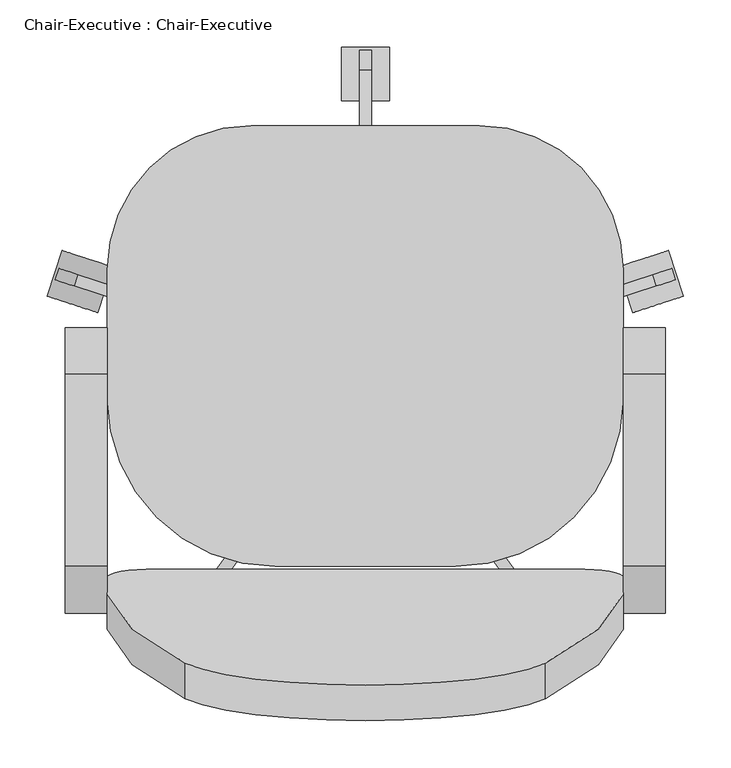
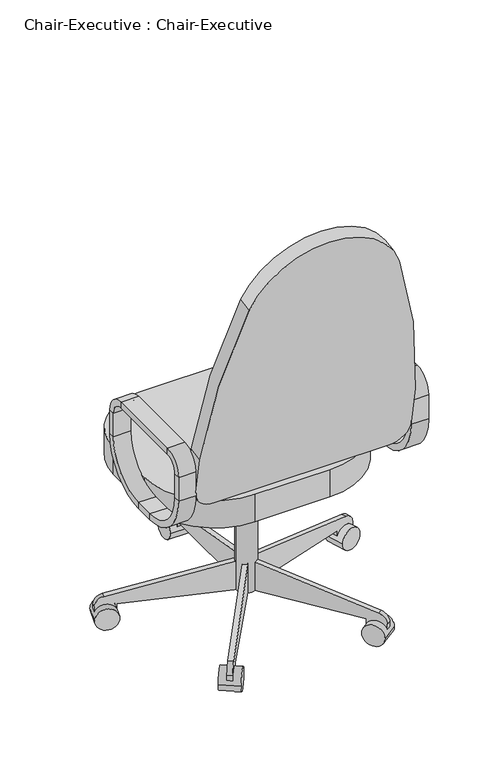
"""IFC4 building model written with IfcOpenShell, lengths in millimetres: furniture geometry, Chair-Executive : Chair-Executive."""

import ifcopenshell
import ifcopenshell.guid

model = None  # the IFC model being written
_history = None  # IfcOwnerHistory: only IFC2X3 demands one
_inside = {}  # id of a spatial element -> (the spatial element, [elements in it])
_under = {}  # id of a project, library or spatial element -> (it, [spatial elements below it])
_declared = {}  # id of a project -> (the project, [libraries it declares])
_typed = {}  # id of a type object -> (the type object, [elements of that type])
_made_of = {}  # id of a material, layer set ... -> (it, [elements and type objects made of it])


def new_model(schema):
    """Start an empty IFC model of exactly this schema.

    Asked for "IFC4X3", IfcOpenShell would pick the latest addendum, in which some entities
    have other attributes; the version numbers below select the first issue.
    IFC2X3 requires an IfcOwnerHistory on every rooted entity: one is made here for all.
    """
    global model, _history
    if schema == "IFC4X3":
        model = ifcopenshell.file(schema_version=(4, 3, 0, 0))
    else:
        model = ifcopenshell.file(schema=schema)
    _inside.clear()
    _under.clear()
    _declared.clear()
    _typed.clear()
    _made_of.clear()
    _history = None
    if model.schema == "IFC2X3":
        org = make("IfcOrganization", Name="unknown")
        user = make(
            "IfcPersonAndOrganization",
            ThePerson=make("IfcPerson", FamilyName="unknown"),
            TheOrganization=org,
        )
        app = make(
            "IfcApplication",
            ApplicationDeveloper=org,
            Version="unknown",
            ApplicationFullName="unknown",
            ApplicationIdentifier="unknown",
        )
        _history = make(
            "IfcOwnerHistory",
            OwningUser=user,
            OwningApplication=app,
            ChangeAction="ADDED",
            CreationDate=0,
        )
    return model


def make(cls, **values):
    """One entity of the class cls with the attributes given. An attribute that is None is left unset."""
    return model.create_entity(
        cls, **{name: value for name, value in values.items() if value is not None}
    )


def rooted(cls, **values):
    """An entity with a GlobalId (a new one), such as an element, a storey or a relation."""
    return make(cls, GlobalId=ifcopenshell.guid.new(), OwnerHistory=_history, **values)


def si_unit(unit_type, name, prefix=None):
    """IfcSIUnit, for example si_unit("LENGTHUNIT", "METRE", prefix="MILLI")."""
    return make("IfcSIUnit", UnitType=unit_type, Prefix=prefix, Name=name)


def assignment(units):
    """IfcUnitAssignment: the units of a project."""
    return None if units is None else make("IfcUnitAssignment", Units=units)


def point(xyz):
    """IfcCartesianPoint."""
    return None if xyz is None else make("IfcCartesianPoint", Coordinates=xyz)


def direction(xyz):
    """IfcDirection."""
    return None if xyz is None else make("IfcDirection", DirectionRatios=xyz)


def frame(location, z_axis=None, x_axis=None):
    """IfcAxis2Placement3D, a coordinate frame: its origin and axes. An axis left out is left unset."""
    return make(
        "IfcAxis2Placement3D",
        Location=point(location),
        Axis=direction(z_axis),
        RefDirection=direction(x_axis),
    )


def frame_2d(location, x_axis=None):
    """IfcAxis2Placement2D, a coordinate frame in the plane: its origin and x axis."""
    return make(
        "IfcAxis2Placement2D", Location=point(location), RefDirection=direction(x_axis)
    )


def origin():
    """The frame at (0, 0, 0) with its axes left unset."""
    return frame((0.0, 0.0, 0.0))


def place(relative_to, where):
    """IfcLocalPlacement: puts the frame where relative to a parent placement (None: the world)."""
    return make(
        "IfcLocalPlacement", PlacementRelTo=relative_to, RelativePlacement=where
    )


def context(
    kind, dimensions, precision=None, world=None, true_north=None, identifier=None
):
    """IfcGeometricRepresentationContext, for example the 3D "Model" context."""
    return make(
        "IfcGeometricRepresentationContext",
        ContextIdentifier=identifier,
        ContextType=kind,
        CoordinateSpaceDimension=dimensions,
        Precision=precision,
        WorldCoordinateSystem=world,
        TrueNorth=true_north,
    )


def project(units=None, contexts=None):
    """IfcProject with its units and contexts."""
    return rooted(
        "IfcProject",
        Name="project",
        RepresentationContexts=contexts,
        UnitsInContext=assignment(units),
    )


def spatial(cls, under=None, at=None, **own):
    """A site, building, storey or space (cls), placed at a placement, below another one or the project."""
    s = rooted(cls, ObjectPlacement=at, **own)
    if under is not None:
        _under.setdefault(under.id(), (under, []))[1].append(s)
    return s


def polyline(points):
    """IfcPolyline through the points."""
    return make("IfcPolyline", Points=[point(p) for p in points])


def circle_curve(where, radius):
    """IfcCircle in the frame where."""
    return make("IfcCircle", Position=where, Radius=radius)


def trimmed(basis, trim1, trim2, sense, master):
    """IfcTrimmedCurve: the piece of a basis curve between two trims."""
    return make(
        "IfcTrimmedCurve",
        BasisCurve=basis,
        Trim1=trim1,
        Trim2=trim2,
        SenseAgreement=sense,
        MasterRepresentation=master,
    )


def segment(curve, same_sense, transition):
    """IfcCompositeCurveSegment."""
    return make(
        "IfcCompositeCurveSegment",
        Transition=transition,
        SameSense=same_sense,
        ParentCurve=curve,
    )


def composite_curve(segments, self_intersect=None):
    """IfcCompositeCurve: segments joined end to end."""
    return make("IfcCompositeCurve", Segments=segments, SelfIntersect=self_intersect)


def outline(outer, holes=None, kind="AREA"):
    """IfcArbitraryClosedProfileDef: a profile drawn as a closed curve; with holes, ...WithVoids."""
    if holes is None:
        return make("IfcArbitraryClosedProfileDef", ProfileType=kind, OuterCurve=outer)
    return make(
        "IfcArbitraryProfileDefWithVoids",
        ProfileType=kind,
        OuterCurve=outer,
        InnerCurves=holes,
    )


def extrude(swept, where, along, depth):
    """IfcExtrudedAreaSolid: the profile swept, set in the frame where, extruded along a direction by depth."""
    return make(
        "IfcExtrudedAreaSolid",
        SweptArea=swept,
        Position=where,
        ExtrudedDirection=direction(along),
        Depth=depth,
    )


def shape(context_of_items, identifier, shape_type, items):
    """IfcShapeRepresentation: the items that make up one representation, for example the "Body"."""
    return make(
        "IfcShapeRepresentation",
        ContextOfItems=context_of_items,
        RepresentationIdentifier=identifier,
        RepresentationType=shape_type,
        Items=items,
    )


def source(mapping_origin, context_of_items, identifier, shape_type, items):
    """IfcRepresentationMap: a shape defined once, which mapped items show again and again."""
    return make(
        "IfcRepresentationMap",
        MappingOrigin=mapping_origin,
        MappedRepresentation=shape(context_of_items, identifier, shape_type, items),
    )


def transform(
    local_origin,
    x_axis=None,
    y_axis=None,
    z_axis=None,
    scale=None,
    scale2=None,
    scale3=None,
    uniform=True,
):
    """IfcCartesianTransformationOperator3D, or its non-uniform kind. x_axis, y_axis, z_axis: its Axis1, 2, 3."""
    if uniform:
        return make(
            "IfcCartesianTransformationOperator3D",
            Axis1=direction(x_axis),
            Axis2=direction(y_axis),
            LocalOrigin=point(local_origin),
            Scale=scale,
            Axis3=direction(z_axis),
        )
    return make(
        "IfcCartesianTransformationOperator3DnonUniform",
        Axis1=direction(x_axis),
        Axis2=direction(y_axis),
        LocalOrigin=point(local_origin),
        Scale=scale,
        Axis3=direction(z_axis),
        Scale2=scale2,
        Scale3=scale3,
    )


def mapped(mapping_source, mapping_target):
    """IfcMappedItem: shows the shape of a source again, moved by a transform."""
    return make(
        "IfcMappedItem", MappingSource=mapping_source, MappingTarget=mapping_target
    )


def made_of(thing, what):
    """Note that an element or type object is made of a material, layer set ...; save() writes the relation."""
    if what is not None:
        _made_of.setdefault(what.id(), (what, []))[1].append(thing)
    return thing


def element(
    cls,
    number,
    at=None,
    inside=None,
    cuts=None,
    type_object=None,
    material=None,
    context=None,
    identifier="Body",
    shape_type=None,
    held_by="IfcProductDefinitionShape",
    body=None,
    shapes=None,
    **own,
):
    """One element of the class cls, such as IfcWall. Its Tag is "e" and its number.

    at: its placement. inside: the storey or other place that contains it. cuts: it is an
    opening in that element (IfcRelVoidsElement). A single representation is given by context,
    identifier, shape_type and body (its items); several are given by shapes. held_by: the class
    of the entity that holds the representations. save() writes the other relations.
    """
    e = rooted(cls, Tag="e%d" % number, ObjectPlacement=at, **own)
    if body is not None:
        shapes = [shape(context, identifier, shape_type, body)]
    if shapes is not None:
        e.Representation = make(held_by, Representations=shapes)
    if inside is not None:
        _inside.setdefault(inside.id(), (inside, []))[1].append(e)
    if cuts is not None:
        rooted(
            "IfcRelVoidsElement", RelatingBuildingElement=cuts, RelatedOpeningElement=e
        )
    if type_object is not None:
        _typed.setdefault(type_object.id(), (type_object, []))[1].append(e)
    return made_of(e, material)


def aggregate(whole, parts):
    """IfcRelAggregates: a whole, such as a stair, and the parts it consists of."""
    return rooted("IfcRelAggregates", RelatingObject=whole, RelatedObjects=parts)


def save(model, path):
    """Write the relations noted so far, then the file.

    IfcRelAggregates (storeys below a building ...), IfcRelContainedInSpatialStructure (elements
    in a storey), IfcRelDefinesByType, IfcRelAssociatesMaterial and IfcRelDeclares: one each for
    every whole, place, type object, material and project.
    """
    for whole, parts in _under.values():
        aggregate(whole, parts)
    for where, things in _inside.values():
        rooted(
            "IfcRelContainedInSpatialStructure",
            RelatedElements=things,
            RelatingStructure=where,
        )
    for kind, things in _typed.values():
        rooted("IfcRelDefinesByType", RelatedObjects=things, RelatingType=kind)
    for what, things in _made_of.values():
        rooted("IfcRelAssociatesMaterial", RelatedObjects=things, RelatingMaterial=what)
    for by, libraries in _declared.values():
        rooted("IfcRelDeclares", RelatingContext=by, RelatedDefinitions=libraries)
    model.write(path)


def plane_surface(at):
    """IfcPlane: the flat surface through the origin of the frame at, square to its z axis."""
    return make("IfcPlane", Position=at)


def cylinder_surface(at, radius):
    """IfcCylindricalSurface: all points at the distance radius from the z axis of the frame at."""
    return make("IfcCylindricalSurface", Position=at, Radius=radius)


def revolved_surface(curve, axis_point, axis_direction):
    """IfcSurfaceOfRevolution: the curve turned about the line through axis_point along axis_direction."""
    return make(
        "IfcSurfaceOfRevolution",
        SweptCurve=make("IfcArbitraryOpenProfileDef", ProfileType="CURVE", Curve=curve),
        AxisPosition=make("IfcAxis1Placement", Location=point(axis_point), Axis=direction(axis_direction)),
    )


def advanced_brep(points, edges, surfaces, faces):
    """IfcAdvancedBrep: a solid bounded by faces that lie on surfaces and meet in shared edges.

    An edge is (start, end): straight between two places in points (the first is 0);
    or (start, end, curve); or (start, end, curve, False) where it runs against its curve.
    A face is (place in surfaces, loops), or (place, loops, False) where it looks against
    its surface's normal. A loop lists edges by number (the first is 1), with a minus sign
    where the edge is run from its end to its start. The first loop is the outer one.
    """
    corners = [point(p) for p in points]
    vertices = [make("IfcVertexPoint", VertexGeometry=c) for c in corners]
    made = []
    for start, end, *more in edges:
        made.append(
            make(
                "IfcEdgeCurve",
                EdgeStart=vertices[start],
                EdgeEnd=vertices[end],
                EdgeGeometry=more[0] if more else make("IfcPolyline", Points=[corners[start], corners[end]]),
                SameSense=more[1] if len(more) > 1 else True,
            )
        )
    hull = []
    for where, loops, *sense in faces:
        bounds = []
        for j, loop in enumerate(loops):
            ring = [make("IfcOrientedEdge", EdgeElement=made[abs(k) - 1], Orientation=k > 0) for k in loop]
            bounds.append(
                make(
                    "IfcFaceOuterBound" if j == 0 else "IfcFaceBound",
                    Bound=make("IfcEdgeLoop", EdgeList=ring),
                    Orientation=True,
                )
            )
        hull.append(make("IfcAdvancedFace", Bounds=bounds, FaceSurface=surfaces[where], SameSense=sense[0] if sense else True))
    return make("IfcAdvancedBrep", Outer=make("IfcClosedShell", CfsFaces=hull))


def chair_executive_chair_executive_a6d00652(model_context):
    return source(origin(), model_context, "Body", "SolidModel", [
        extrude(outline(polyline([(69.7459016, 383.7835944), (69.7459016, 371.0835944), (18.9459016, 283.0954134), (-19.1540984, 283.0954134), (-19.1540984, 383.7835944), (69.7459016, 383.7835944)])), frame((90.1908197, 0.0, 0.0), z_axis=(1.0, 0.0, 0.0), x_axis=(0.0, 1.0, 0.0)), (0.0, 0.0, 1.0), 101.6),
        extrude(outline(composite_curve([segment(polyline([(311.0459016, 53.5835944), (18.9459016, 53.5835944), (18.9459016, 129.7835944), (44.3459016, 129.7835944), (340.8565654, 77.5007643)]), True, "CONTINUOUS"), segment(trimmed(circle_curve(frame_2d((336.4459016, 52.4866474)), 25.4), [point((340.8565654, 77.5007643))], [point((361.8459016, 52.4866474))], False, "CARTESIAN"), True, "CONTINUOUS"), segment(polyline([(361.8459016, 52.4866474), (361.8459016, 28.1835944), (311.0459016, 28.1835944), (311.0459016, 53.5835944)]), True, "CONTINUOUS")], self_intersect=False)), frame((134.6408197, 0.0, 0.0), z_axis=(1.0, 0.0, 0.0), x_axis=(0.0, 1.0, 0.0)), (0.0, 0.0, 1.0), 12.7),
        extrude(outline(composite_curve([segment(trimmed(circle_curve(frame_2d((336.4459016, 28.1835944)), 28.2002727), [point((308.2456289, 28.1835944))], [point((364.6461744, 28.1835944))], False, "CARTESIAN"), True, "CONTINUOUS"), segment(trimmed(circle_curve(frame_2d((336.4459016, 28.1835944)), 28.2002727), [point((364.6461744, 28.1835944))], [point((308.2456289, 28.1835944))], False, "CARTESIAN"), True, "CONTINUOUS")], self_intersect=False)), frame((115.5908197, 0.0, 0.0), z_axis=(1.0, 0.0, 0.0), x_axis=(0.0, 1.0, 0.0)), (0.0, 0.0, 1.0), 50.8),
        extrude(outline(composite_curve([segment(polyline([(25.4, 0.0), (25.4, 292.1000001), (101.6, 292.1000001), (101.6, 266.7), (49.3171699, -29.8106636)]), True, "CONTINUOUS"), segment(trimmed(circle_curve(frame_2d((24.303053, -25.4)), 25.4), [point((49.3171699, -29.8106636))], [point((24.303053, -50.8))], False, "CARTESIAN"), True, "CONTINUOUS"), segment(polyline([(24.303053, -50.8), (0.0, -50.8), (0.0, 0.0), (25.4, 0.0)]), True, "CONTINUOUS")], self_intersect=False)), frame((-138.7750467, 103.1705568, 28.1835944), z_axis=(0.3090169943749487, 0.9510565162951532, 0.0), x_axis=(0.0, 0.0, 1.0)), (0.0, 0.0, 1.0), 12.7),
        extrude(outline(composite_curve([segment(trimmed(circle_curve(frame_2d((0.0, -28.2002727)), 28.2002727), [point((0.0, -56.4005454))], [point((0.0, 0.0))], False, "CARTESIAN"), True, "CONTINUOUS"), segment(trimmed(circle_curve(frame_2d((0.0, -28.2002727)), 28.2002727), [point((0.0, 0.0))], [point((0.0, -56.4005454))], False, "CARTESIAN"), True, "CONTINUOUS")], self_intersect=False)), frame((-195.638709, 101.6163254, 28.1835944), z_axis=(0.3090169943749487, 0.9510565162951532, 0.0), x_axis=(0.0, 0.0, -1.0)), (0.0, 0.0, 1.0), 50.8),
        extrude(outline(composite_curve([segment(polyline([(25.4, 0.0), (25.4, 292.1), (101.6, 292.1), (101.6, 266.7), (49.3171699, -29.8106637)]), True, "CONTINUOUS"), segment(trimmed(circle_curve(frame_2d((24.303053, -25.3999999)), 25.4), [point((49.3171699, -29.8106637))], [point((24.303053, -50.8))], False, "CARTESIAN"), True, "CONTINUOUS"), segment(polyline([(24.303053, -50.8), (0.0, -50.8), (0.0, 0.0), (25.4, 0.0)]), True, "CONTINUOUS")], self_intersect=False)), frame((-25.5639946, -221.1003988, 28.1835944), z_axis=(-0.8090169943749459, 0.5877852522924754, 0.0), x_axis=(0.0, 0.0, 1.0)), (0.0, 0.0, 1.0), 12.7),
        extrude(outline(composite_curve([segment(trimmed(circle_curve(frame_2d((0.0, -28.2002727)), 28.2002727), [point((0.0, -56.4005455))], [point((0.0, 0.0))], False, "CARTESIAN"), True, "CONTINUOUS"), segment(trimmed(circle_curve(frame_2d((0.0, -28.2002727)), 28.2002727), [point((0.0, 0.0))], [point((0.0, -56.4005455))], False, "CARTESIAN"), True, "CONTINUOUS")], self_intersect=False)), frame((-41.6576707, -275.6612394, 28.1835944), z_axis=(-0.8090169943749458, 0.5877852522924754, 0.0), x_axis=(0.0, 0.0, -1.0)), (0.0, 0.0, 1.0), 50.8),
        extrude(outline(composite_curve([segment(polyline([(-25.4, 0.0), (0.0, 0.0), (0.0, -50.8), (-24.303053, -50.8)]), True, "CONTINUOUS"), segment(trimmed(circle_curve(frame_2d((-24.303053, -25.3999999)), 25.4), [point((-24.303053, -50.8))], [point((-49.3171699, -29.8106636))], False, "CARTESIAN"), True, "CONTINUOUS"), segment(polyline([(-49.3171699, -29.8106636), (-101.6, 266.7), (-101.6, 292.1), (-25.4, 292.1), (-25.4, 0.0)]), True, "CONTINUOUS")], self_intersect=False)), frame((307.545634, -221.1003988, 28.1835944), z_axis=(0.8090169943749499, 0.5877852522924699, 0.0), x_axis=(0.0, 0.0, -1.0)), (0.0, 0.0, 1.0), 12.7),
        extrude(outline(composite_curve([segment(trimmed(circle_curve(frame_2d((0.0, -28.2002727)), 28.2002727), [point((0.0, -56.4005455))], [point((0.0, 0.0))], False, "CARTESIAN"), True, "CONTINUOUS"), segment(trimmed(circle_curve(frame_2d((0.0, -28.2002727)), 28.2002727), [point((0.0, 0.0))], [point((0.0, -56.4005455))], False, "CARTESIAN"), True, "CONTINUOUS")], self_intersect=False)), frame((323.63931, -275.6612394, 28.1835944), z_axis=(0.8090169943749499, 0.5877852522924699, 0.0), x_axis=(0.0, 0.0, 1.0)), (0.0, 0.0, 1.0), 50.8),
        extrude(outline(composite_curve([segment(polyline([(-25.4, 0.0), (0.0, 0.0), (0.0, -50.8), (-24.303053, -50.8)]), True, "CONTINUOUS"), segment(trimmed(circle_curve(frame_2d((-24.303053, -25.4)), 25.4), [point((-24.303053, -50.8))], [point((-49.3171699, -29.8106637))], False, "CARTESIAN"), True, "CONTINUOUS"), segment(polyline([(-49.3171699, -29.8106637), (-101.6, 266.7), (-101.6, 292.1), (-25.4, 292.1), (-25.4, 0.0)]), True, "CONTINUOUS")], self_intersect=False)), frame((420.756686, 103.1705568, 28.1835944), z_axis=(-0.3090169943749423, 0.9510565162951553, 0.0), x_axis=(0.0, 0.0, -1.0)), (0.0, 0.0, 1.0), 12.7),
        extrude(outline(composite_curve([segment(trimmed(circle_curve(frame_2d((0.0, -28.2002727)), 28.2002727), [point((0.0, -56.4005455))], [point((0.0, 0.0))], False, "CARTESIAN"), True, "CONTINUOUS"), segment(trimmed(circle_curve(frame_2d((0.0, -28.2002727)), 28.2002727), [point((0.0, 0.0))], [point((0.0, -56.4005455))], False, "CARTESIAN"), True, "CONTINUOUS")], self_intersect=False)), frame((477.6203484, 101.6163254, 28.1835944), z_axis=(-0.3090169943749423, 0.9510565162951553, 0.0), x_axis=(0.0, 0.0, 1.0)), (0.0, 0.0, 1.0), 50.8),
        extrude(outline(composite_curve([segment(trimmed(circle_curve(frame_2d((140.9908197, 18.9459016)), 25.4), [point((115.5908197, 18.9459016))], [point((166.3908197, 18.9459016))], False, "CARTESIAN"), True, "CONTINUOUS"), segment(trimmed(circle_curve(frame_2d((140.9908197, 18.9459016)), 25.4), [point((166.3908197, 18.9459016))], [point((115.5908197, 18.9459016))], False, "CARTESIAN"), True, "CONTINUOUS")], self_intersect=False)), frame((0.0, 0.0, 53.5835944), z_axis=(0.0, 0.0, 1.0), x_axis=(1.0, 0.0, 0.0)), (0.0, 0.0, 1.0), 330.5914056),
        extrude(outline(composite_curve([segment(trimmed(circle_curve(frame_2d((20.3408197, 129.4961016)), 152.4), [point((-132.0591803, 129.4961016))], [point((20.3408197, 281.8961016))], False, "CARTESIAN"), True, "CONTINUOUS"), segment(polyline([(20.3408197, 281.8961016), (261.6408197, 281.8961016)]), True, "CONTINUOUS"), segment(trimmed(circle_curve(frame_2d((261.6408197, 129.4961016)), 152.4), [point((261.6408197, 281.8961016))], [point((414.0408197, 129.4961016))], False, "CARTESIAN"), True, "CONTINUOUS"), segment(polyline([(414.0408197, 129.4961016), (414.0408197, -6.4540984)]), True, "CONTINUOUS"), segment(trimmed(circle_curve(frame_2d((236.2408197, -6.4540984)), 177.8), [point((414.0408197, -6.4540984))], [point((236.2408197, -184.2540984))], False, "CARTESIAN"), True, "CONTINUOUS"), segment(polyline([(236.2408197, -184.2540984), (45.7408197, -184.2540984)]), True, "CONTINUOUS"), segment(trimmed(circle_curve(frame_2d((45.7408197, -6.4540984)), 177.8), [point((45.7408197, -184.2540984))], [point((-132.0591803, -6.4540984))], False, "CARTESIAN"), True, "CONTINUOUS"), segment(polyline([(-132.0591803, -6.4540984), (-132.0591803, 129.4961016)]), True, "CONTINUOUS")], self_intersect=False)), frame((0.0, 0.0, 383.7835944), z_axis=(0.0, 0.0, 1.0), x_axis=(1.0, 0.0, 0.0)), (0.0, 0.0, 1.0), 73.4164056),
        extrude(outline(composite_curve([segment(trimmed(circle_curve(frame_2d((0.0, -50.8)), 50.8), [point((0.0, 0.0))], [point((50.8, -50.8))], False, "CARTESIAN"), True, "CONTINUOUS"), segment(polyline([(50.8, -50.8), (50.8, -152.4)]), True, "CONTINUOUS"), segment(trimmed(circle_curve(frame_2d((-1471.2021854, -74.3913617)), 1524.0), [point((50.8, -152.4))], [point((-31.75, -574.9444618))], False, "CARTESIAN"), True, "CONTINUOUS"), segment(trimmed(circle_curve(frame_2d((-222.25, -504.2338544)), 203.2), [point((-31.75, -574.9444618))], [point((-412.75, -574.9444618))], False, "CARTESIAN"), True, "CONTINUOUS"), segment(trimmed(circle_curve(frame_2d((1026.7021854, -74.3913617)), 1524.0), [point((-412.75, -574.9444618))], [point((-495.3, -152.4))], False, "CARTESIAN"), True, "CONTINUOUS"), segment(polyline([(-495.3, -152.4), (-495.3, -50.8)]), True, "CONTINUOUS"), segment(trimmed(circle_curve(frame_2d((-444.5, -50.8)), 50.8), [point((-495.3, -50.8))], [point((-444.5, 0.0))], False, "CARTESIAN"), True, "CONTINUOUS"), segment(polyline([(-444.5, 0.0), (0.0, 0.0)]), True, "CONTINUOUS")], self_intersect=False)), frame((363.2408197, -224.5698964, 503.1641822), z_axis=(0.0, 0.9848077530122084, 0.17364817766692853), x_axis=(1.0, 0.0, 0.0)), (0.0, 0.0, 1.0), 38.1),
        advanced_brep(
        [(414.0408197, -233.6623012, 546.1), (414.0408197, -108.0540984, 420.4917972), (458.4908197, -108.0540984, 420.4917972), (458.4908197, -233.6623012, 546.1), (414.0408197, -217.7873012, 546.1), (414.0408197, -108.0540984, 436.3667972), (458.4908197, -217.7873012, 546.1), (458.4908197, -108.0540984, 436.3667972), (458.4908197, -233.6623012, 609.6), (414.0408197, -233.6623012, 609.6), (414.0408197, -217.7873012, 609.6), (458.4908197, -217.7873012, 609.6), (414.0408197, -184.2540984, 659.0082028), (458.4908197, -184.2540984, 659.0082028), (414.0408197, -184.2540984, 643.1332028), (458.4908197, -184.2540984, 643.1332028), (458.4908197, 18.9459016, 659.0082028), (414.0408197, 18.9459016, 659.0082028), (414.0408197, 18.9459016, 643.1332028), (458.4908197, 18.9459016, 643.1332028), (414.0408197, 68.3541044, 609.6), (458.4908197, 68.3541044, 609.6), (414.0408197, 52.4791044, 609.6), (458.4908197, 52.4791044, 609.6), (458.4908197, 68.3541044, 546.1), (414.0408197, 68.3541044, 546.1), (414.0408197, 52.4791044, 546.1), (458.4908197, 52.4791044, 546.1), (414.0408197, -57.2540984, 420.4917972), (458.4908197, -57.2540984, 420.4917972), (414.0408197, -57.2540984, 436.3667972), (458.4908197, -57.2540984, 436.3667972)],
        [
            (0, 1, circle_curve(frame((414.0408197, -108.0540984, 546.1), z_axis=(1.0, 0.0, 0.0), x_axis=(0.0, 0.0, -1.0)), 125.6082028)),
            (1, 2),
            (2, 3, circle_curve(frame((458.4908197, -108.0540984, 546.1), z_axis=(-1.0, 0.0, 0.0), x_axis=(0.0, 0.0, -1.0)), 125.6082028)),
            (3, 0),
            (4, 5, circle_curve(frame((414.0408197, -108.0540984, 546.1), z_axis=(1.0, 0.0, 0.0), x_axis=(0.0, 0.0, -1.0)), 109.7332028)),
            (5, 1),
            (0, 4),
            (6, 7, circle_curve(frame((458.4908197, -108.0540984, 546.1), z_axis=(1.0, 0.0, 0.0), x_axis=(0.0, 0.0, -1.0)), 109.7332028)),
            (7, 5),
            (4, 6),
            (2, 7),
            (6, 3),
            (3, 8),
            (8, 9),
            (9, 0),
            (9, 10),
            (10, 4),
            (10, 11),
            (11, 6),
            (11, 8),
            (12, 9, circle_curve(frame((414.0408197, -184.2540984, 609.6), z_axis=(1.0, 0.0, 0.0), x_axis=(0.0, -1.0, 0.0)), 49.4082028)),
            (8, 13, circle_curve(frame((458.4908197, -184.2540984, 609.6), z_axis=(-1.0, 0.0, 0.0), x_axis=(0.0, -1.0, 0.0)), 49.4082028)),
            (13, 12),
            (14, 10, circle_curve(frame((414.0408197, -184.2540984, 609.6), z_axis=(1.0, 0.0, 0.0), x_axis=(0.0, -1.0, 0.0)), 33.5332028)),
            (12, 14),
            (15, 11, circle_curve(frame((458.4908197, -184.2540984, 609.6), z_axis=(1.0, 0.0, 0.0), x_axis=(0.0, -1.0, 0.0)), 33.5332028)),
            (14, 15),
            (15, 13),
            (13, 16),
            (16, 17),
            (17, 12),
            (17, 18),
            (18, 14),
            (18, 19),
            (19, 15),
            (19, 16),
            (20, 17, circle_curve(frame((414.0408197, 18.9459016, 609.6), z_axis=(1.0, 0.0, 0.0), x_axis=(0.0, 0.0, 1.0)), 49.4082028)),
            (16, 21, circle_curve(frame((458.4908197, 18.9459016, 609.6), z_axis=(-1.0, 0.0, 0.0), x_axis=(0.0, 0.0, 1.0)), 49.4082028)),
            (21, 20),
            (22, 18, circle_curve(frame((414.0408197, 18.9459016, 609.6), z_axis=(1.0, 0.0, 0.0), x_axis=(0.0, 0.0, 1.0)), 33.5332028)),
            (20, 22),
            (23, 19, circle_curve(frame((458.4908197, 18.9459016, 609.6), z_axis=(1.0, 0.0, 0.0), x_axis=(0.0, 0.0, 1.0)), 33.5332028)),
            (22, 23),
            (23, 21),
            (21, 24),
            (24, 25),
            (25, 20),
            (25, 26),
            (26, 22),
            (26, 27),
            (27, 23),
            (27, 24),
            (28, 25, circle_curve(frame((414.0408197, -57.2540984, 546.1), z_axis=(1.0, 0.0, 0.0), x_axis=(0.0, 1.0, 0.0)), 125.6082028)),
            (24, 29, circle_curve(frame((458.4908197, -57.2540984, 546.1), z_axis=(-1.0, 0.0, 0.0), x_axis=(0.0, 1.0, 0.0)), 125.6082028)),
            (29, 28),
            (30, 26, circle_curve(frame((414.0408197, -57.2540984, 546.1), z_axis=(1.0, 0.0, 0.0), x_axis=(0.0, 1.0, 0.0)), 109.7332028)),
            (28, 30),
            (31, 27, circle_curve(frame((458.4908197, -57.2540984, 546.1), z_axis=(1.0, 0.0, 0.0), x_axis=(0.0, 1.0, 0.0)), 109.7332028)),
            (30, 31),
            (31, 29),
            (29, 2),
            (1, 28),
            (5, 30),
            (7, 31),
        ],
        [
            cylinder_surface(frame((414.0408197, -108.0540984, 546.1), z_axis=(-1.0, 0.0, 0.0), x_axis=(0.0, 0.0, -1.0)), 125.6082028),
            plane_surface(frame((414.0408197, -108.0540984, 546.1), z_axis=(-1.0, 0.0, 0.0), x_axis=(0.0, 0.0, -1.0))),
            revolved_surface(polyline([(414.0408197, -108.0540984, 436.3667972), (458.4908197, -108.0540984, 436.3667972)]), (414.0408197, -108.0540984, 546.1), (-1.0, 0.0, 0.0)),
            plane_surface(frame((458.4908197, -108.0540984, 546.1), z_axis=(1.0, 0.0, 0.0), x_axis=(0.0, 0.0, -1.0))),
            plane_surface(frame((458.4908197, -233.6623012, 546.1), z_axis=(0.0, -1.0, 0.0), x_axis=(0.0, 0.0, 1.0))),
            plane_surface(frame((414.0408197, -233.6623012, 546.1), z_axis=(-1.0, 0.0, 0.0), x_axis=(0.0, 0.0, 1.0))),
            plane_surface(frame((414.0408197, -217.7873012, 546.1), z_axis=(0.0, 1.0, 0.0), x_axis=(0.0, 0.0, 1.0))),
            plane_surface(frame((458.4908197, -217.7873012, 546.1), z_axis=(1.0, 0.0, 0.0), x_axis=(0.0, 0.0, 1.0))),
            cylinder_surface(frame((414.0408197, -184.2540984, 609.6), z_axis=(-1.0, 0.0, 0.0), x_axis=(0.0, -1.0, 0.0)), 49.4082028),
            plane_surface(frame((414.0408197, -184.2540984, 609.6), z_axis=(-1.0, 0.0, 0.0), x_axis=(0.0, -1.0, 0.0))),
            revolved_surface(polyline([(414.0408197, -217.7873012, 609.6), (458.4908197, -217.7873012, 609.6)]), (414.0408197, -184.2540984, 609.6), (-1.0, 0.0, 0.0)),
            plane_surface(frame((458.4908197, -184.2540984, 609.6), z_axis=(1.0, 0.0, 0.0), x_axis=(0.0, -1.0, 0.0))),
            plane_surface(frame((458.4908197, -184.2540984, 659.0082028), z_axis=(0.0, 0.0, 1.0), x_axis=(0.0, 1.0, 0.0))),
            plane_surface(frame((414.0408197, -184.2540984, 659.0082028), z_axis=(-1.0, 0.0, 0.0), x_axis=(0.0, 1.0, 0.0))),
            plane_surface(frame((414.0408197, -184.2540984, 643.1332028), z_axis=(0.0, 0.0, -1.0), x_axis=(0.0, 1.0, 0.0))),
            plane_surface(frame((458.4908197, -184.2540984, 643.1332028), z_axis=(1.0, 0.0, 0.0), x_axis=(0.0, 1.0, 0.0))),
            cylinder_surface(frame((414.0408197, 18.9459016, 609.6), z_axis=(-1.0, 0.0, 0.0), x_axis=(0.0, 0.0, 1.0)), 49.4082028),
            plane_surface(frame((414.0408197, 18.9459016, 609.6), z_axis=(-1.0, 0.0, 0.0), x_axis=(0.0, 0.0, 1.0))),
            revolved_surface(polyline([(414.0408197, 18.9459016, 643.1332028), (458.4908197, 18.9459016, 643.1332028)]), (414.0408197, 18.9459016, 609.6), (-1.0, 0.0, 0.0)),
            plane_surface(frame((458.4908197, 18.9459016, 609.6), z_axis=(1.0, 0.0, 0.0), x_axis=(0.0, 0.0, 1.0))),
            plane_surface(frame((458.4908197, 68.3541044, 609.6), z_axis=(0.0, 1.0, 0.0), x_axis=(0.0, 0.0, -1.0))),
            plane_surface(frame((414.0408197, 68.3541044, 609.6), z_axis=(-1.0, 0.0, 0.0), x_axis=(0.0, 0.0, -1.0))),
            plane_surface(frame((414.0408197, 52.4791044, 609.6), z_axis=(0.0, -1.0, 0.0), x_axis=(0.0, 0.0, -1.0))),
            plane_surface(frame((458.4908197, 52.4791044, 609.6), z_axis=(1.0, 0.0, 0.0), x_axis=(0.0, 0.0, -1.0))),
            cylinder_surface(frame((414.0408197, -57.2540984, 546.1), z_axis=(-1.0, 0.0, 0.0), x_axis=(0.0, 1.0, 0.0)), 125.6082028),
            plane_surface(frame((414.0408197, -57.2540984, 546.1), z_axis=(-1.0, 0.0, 0.0), x_axis=(0.0, 1.0, 0.0))),
            revolved_surface(polyline([(414.0408197, 52.479104400000004, 546.1), (458.4908197, 52.479104400000004, 546.1)]), (414.0408197, -57.2540984, 546.1), (-1.0, 0.0, 0.0)),
            plane_surface(frame((458.4908197, -57.2540984, 546.1), z_axis=(1.0, 0.0, 0.0), x_axis=(0.0, 1.0, 0.0))),
            plane_surface(frame((458.4908197, -57.2540984, 420.4917972), z_axis=(0.0, 0.0, -1.0), x_axis=(0.0, -1.0, 0.0))),
            plane_surface(frame((414.0408197, -57.2540984, 420.4917972), z_axis=(-1.0, 0.0, 0.0), x_axis=(0.0, -1.0, 0.0))),
            plane_surface(frame((414.0408197, -57.2540984, 436.3667972), z_axis=(0.0, 0.0, 1.0), x_axis=(0.0, -1.0, 0.0))),
            plane_surface(frame((458.4908197, -57.2540984, 436.3667972), z_axis=(1.0, 0.0, 0.0), x_axis=(0.0, -1.0, 0.0))),
        ],
        [
            (0, [[1, 2, 3, 4]]),
            (1, [[5, 6, -1, 7]]),
            (2, [[8, 9, -5, 10]]),
            (3, [[-3, 11, -8, 12]]),
            (4, [[-4, 13, 14, 15]]),
            (5, [[-7, -15, 16, 17]]),
            (6, [[-10, -17, 18, 19]]),
            (7, [[-12, -19, 20, -13]]),
            (8, [[21, -14, 22, 23]]),
            (9, [[24, -16, -21, 25]]),
            (10, [[26, -18, -24, 27]]),
            (11, [[-22, -20, -26, 28]]),
            (12, [[-23, 29, 30, 31]]),
            (13, [[-25, -31, 32, 33]]),
            (14, [[-27, -33, 34, 35]]),
            (15, [[-28, -35, 36, -29]]),
            (16, [[37, -30, 38, 39]]),
            (17, [[40, -32, -37, 41]]),
            (18, [[42, -34, -40, 43]]),
            (19, [[-38, -36, -42, 44]]),
            (20, [[-39, 45, 46, 47]]),
            (21, [[-41, -47, 48, 49]]),
            (22, [[-43, -49, 50, 51]]),
            (23, [[-44, -51, 52, -45]]),
            (24, [[53, -46, 54, 55]]),
            (25, [[56, -48, -53, 57]]),
            (26, [[58, -50, -56, 59]]),
            (27, [[-54, -52, -58, 60]]),
            (28, [[-55, 61, -2, 62]]),
            (29, [[-57, -62, -6, 63]]),
            (30, [[-59, -63, -9, 64]]),
            (31, [[-60, -64, -11, -61]]),
        ],
    ),
        advanced_brep(
        [(-176.5091803, -217.7873012, 546.1), (-176.5091803, -108.0540984, 436.3667972), (-176.5091803, -108.0540984, 420.4917972), (-176.5091803, -233.6623012, 546.1), (-132.0591803, -217.7873012, 546.1), (-132.0591803, -108.0540984, 436.3667972), (-132.0591803, -233.6623012, 546.1), (-132.0591803, -108.0540984, 420.4917972), (-176.5091803, -233.6623012, 609.6), (-176.5091803, -217.7873012, 609.6), (-132.0591803, -217.7873012, 609.6), (-132.0591803, -233.6623012, 609.6), (-176.5091803, -184.2540984, 643.1332028), (-176.5091803, -184.2540984, 659.0082028), (-132.0591803, -184.2540984, 643.1332028), (-132.0591803, -184.2540984, 659.0082028), (-176.5091803, 18.9459016, 659.0082028), (-176.5091803, 18.9459016, 643.1332028), (-132.0591803, 18.9459016, 643.1332028), (-132.0591803, 18.9459016, 659.0082028), (-176.5091803, 52.4791044, 609.6), (-176.5091803, 68.3541044, 609.6), (-132.0591803, 52.4791044, 609.6), (-132.0591803, 68.3541044, 609.6), (-176.5091803, 68.3541044, 546.1), (-176.5091803, 52.4791044, 546.1), (-132.0591803, 52.4791044, 546.1), (-132.0591803, 68.3541044, 546.1), (-176.5091803, -57.2540984, 436.3667972), (-176.5091803, -57.2540984, 420.4917972), (-132.0591803, -57.2540984, 436.3667972), (-132.0591803, -57.2540984, 420.4917972)],
        [
            (0, 1, circle_curve(frame((-176.5091803, -108.0540984, 546.1), z_axis=(1.0, 0.0, 0.0), x_axis=(0.0, 0.0, -1.0)), 109.7332028)),
            (1, 2),
            (2, 3, circle_curve(frame((-176.5091803, -108.0540984, 546.1), z_axis=(-1.0, 0.0, 0.0), x_axis=(0.0, 0.0, -1.0)), 125.6082028)),
            (3, 0),
            (4, 5, circle_curve(frame((-132.0591803, -108.0540984, 546.1), z_axis=(1.0, 0.0, 0.0), x_axis=(0.0, 0.0, -1.0)), 109.7332028)),
            (5, 1),
            (0, 4),
            (6, 7, circle_curve(frame((-132.0591803, -108.0540984, 546.1), z_axis=(1.0, 0.0, 0.0), x_axis=(0.0, 0.0, -1.0)), 125.6082028)),
            (7, 5),
            (4, 6),
            (2, 7),
            (6, 3),
            (3, 8),
            (8, 9),
            (9, 0),
            (9, 10),
            (10, 4),
            (10, 11),
            (11, 6),
            (11, 8),
            (12, 9, circle_curve(frame((-176.5091803, -184.2540984, 609.6), z_axis=(1.0, 0.0, 0.0), x_axis=(0.0, -1.0, 0.0)), 33.5332028)),
            (8, 13, circle_curve(frame((-176.5091803, -184.2540984, 609.6), z_axis=(-1.0, 0.0, 0.0), x_axis=(0.0, -1.0, 0.0)), 49.4082028)),
            (13, 12),
            (14, 10, circle_curve(frame((-132.0591803, -184.2540984, 609.6), z_axis=(1.0, 0.0, 0.0), x_axis=(0.0, -1.0, 0.0)), 33.5332028)),
            (12, 14),
            (15, 11, circle_curve(frame((-132.0591803, -184.2540984, 609.6), z_axis=(1.0, 0.0, 0.0), x_axis=(0.0, -1.0, 0.0)), 49.4082028)),
            (14, 15),
            (15, 13),
            (13, 16),
            (16, 17),
            (17, 12),
            (17, 18),
            (18, 14),
            (18, 19),
            (19, 15),
            (19, 16),
            (20, 17, circle_curve(frame((-176.5091803, 18.9459016, 609.6), z_axis=(1.0, 0.0, 0.0), x_axis=(0.0, 0.0, 1.0)), 33.5332028)),
            (16, 21, circle_curve(frame((-176.5091803, 18.9459016, 609.6), z_axis=(-1.0, 0.0, 0.0), x_axis=(0.0, 0.0, 1.0)), 49.4082028)),
            (21, 20),
            (22, 18, circle_curve(frame((-132.0591803, 18.9459016, 609.6), z_axis=(1.0, 0.0, 0.0), x_axis=(0.0, 0.0, 1.0)), 33.5332028)),
            (20, 22),
            (23, 19, circle_curve(frame((-132.0591803, 18.9459016, 609.6), z_axis=(1.0, 0.0, 0.0), x_axis=(0.0, 0.0, 1.0)), 49.4082028)),
            (22, 23),
            (23, 21),
            (21, 24),
            (24, 25),
            (25, 20),
            (25, 26),
            (26, 22),
            (26, 27),
            (27, 23),
            (27, 24),
            (28, 25, circle_curve(frame((-176.5091803, -57.2540984, 546.1), z_axis=(1.0, 0.0, 0.0), x_axis=(0.0, 1.0, 0.0)), 109.7332028)),
            (24, 29, circle_curve(frame((-176.5091803, -57.2540984, 546.1), z_axis=(-1.0, 0.0, 0.0), x_axis=(0.0, 1.0, 0.0)), 125.6082028)),
            (29, 28),
            (30, 26, circle_curve(frame((-132.0591803, -57.2540984, 546.1), z_axis=(1.0, 0.0, 0.0), x_axis=(0.0, 1.0, 0.0)), 109.7332028)),
            (28, 30),
            (31, 27, circle_curve(frame((-132.0591803, -57.2540984, 546.1), z_axis=(1.0, 0.0, 0.0), x_axis=(0.0, 1.0, 0.0)), 125.6082028)),
            (30, 31),
            (31, 29),
            (29, 2),
            (1, 28),
            (5, 30),
            (7, 31),
        ],
        [
            plane_surface(frame((-176.5091803, -108.0540984, 546.1), z_axis=(-1.0, 0.0, 0.0), x_axis=(0.0, 0.0, -1.0))),
            revolved_surface(polyline([(-176.5091803, -108.0540984, 436.3667972), (-132.0591803, -108.0540984, 436.3667972)]), (-132.0591803, -108.0540984, 546.1), (-1.0, 0.0, 0.0)),
            plane_surface(frame((-132.0591803, -108.0540984, 546.1), z_axis=(1.0, 0.0, 0.0), x_axis=(0.0, 0.0, -1.0))),
            cylinder_surface(frame((-132.0591803, -108.0540984, 546.1), z_axis=(-1.0, 0.0, 0.0), x_axis=(0.0, 0.0, -1.0)), 125.6082028),
            plane_surface(frame((-176.5091803, -233.6623012, 546.1), z_axis=(-1.0, 0.0, 0.0), x_axis=(0.0, 0.0, 1.0))),
            plane_surface(frame((-176.5091803, -217.7873012, 546.1), z_axis=(0.0, 1.0, 0.0), x_axis=(0.0, 0.0, 1.0))),
            plane_surface(frame((-132.0591803, -217.7873012, 546.1), z_axis=(1.0, 0.0, 0.0), x_axis=(0.0, 0.0, 1.0))),
            plane_surface(frame((-132.0591803, -233.6623012, 546.1), z_axis=(0.0, -1.0, 0.0), x_axis=(0.0, 0.0, 1.0))),
            plane_surface(frame((-176.5091803, -184.2540984, 609.6), z_axis=(-1.0, 0.0, 0.0), x_axis=(0.0, -1.0, 0.0))),
            revolved_surface(polyline([(-176.5091803, -217.7873012, 609.6), (-132.0591803, -217.7873012, 609.6)]), (-132.0591803, -184.2540984, 609.6), (-1.0, 0.0, 0.0)),
            plane_surface(frame((-132.0591803, -184.2540984, 609.6), z_axis=(1.0, 0.0, 0.0), x_axis=(0.0, -1.0, 0.0))),
            cylinder_surface(frame((-132.0591803, -184.2540984, 609.6), z_axis=(-1.0, 0.0, 0.0), x_axis=(0.0, -1.0, 0.0)), 49.4082028),
            plane_surface(frame((-176.5091803, -184.2540984, 659.0082028), z_axis=(-1.0, 0.0, 0.0), x_axis=(0.0, 1.0, 0.0))),
            plane_surface(frame((-176.5091803, -184.2540984, 643.1332028), z_axis=(0.0, 0.0, -1.0), x_axis=(0.0, 1.0, 0.0))),
            plane_surface(frame((-132.0591803, -184.2540984, 643.1332028), z_axis=(1.0, 0.0, 0.0), x_axis=(0.0, 1.0, 0.0))),
            plane_surface(frame((-132.0591803, -184.2540984, 659.0082028), z_axis=(0.0, 0.0, 1.0), x_axis=(0.0, 1.0, 0.0))),
            plane_surface(frame((-176.5091803, 18.9459016, 609.6), z_axis=(-1.0, 0.0, 0.0), x_axis=(0.0, 0.0, 1.0))),
            revolved_surface(polyline([(-176.5091803, 18.9459016, 643.1332028), (-132.0591803, 18.9459016, 643.1332028)]), (-132.0591803, 18.9459016, 609.6), (-1.0, 0.0, 0.0)),
            plane_surface(frame((-132.0591803, 18.9459016, 609.6), z_axis=(1.0, 0.0, 0.0), x_axis=(0.0, 0.0, 1.0))),
            cylinder_surface(frame((-132.0591803, 18.9459016, 609.6), z_axis=(-1.0, 0.0, 0.0), x_axis=(0.0, 0.0, 1.0)), 49.4082028),
            plane_surface(frame((-176.5091803, 68.3541044, 609.6), z_axis=(-1.0, 0.0, 0.0), x_axis=(0.0, 0.0, -1.0))),
            plane_surface(frame((-176.5091803, 52.4791044, 609.6), z_axis=(0.0, -1.0, 0.0), x_axis=(0.0, 0.0, -1.0))),
            plane_surface(frame((-132.0591803, 52.4791044, 609.6), z_axis=(1.0, 0.0, 0.0), x_axis=(0.0, 0.0, -1.0))),
            plane_surface(frame((-132.0591803, 68.3541044, 609.6), z_axis=(0.0, 1.0, 0.0), x_axis=(0.0, 0.0, -1.0))),
            plane_surface(frame((-176.5091803, -57.2540984, 546.1), z_axis=(-1.0, 0.0, 0.0), x_axis=(0.0, 1.0, 0.0))),
            revolved_surface(polyline([(-176.5091803, 52.479104400000004, 546.1), (-132.0591803, 52.479104400000004, 546.1)]), (-132.0591803, -57.2540984, 546.1), (-1.0, 0.0, 0.0)),
            plane_surface(frame((-132.0591803, -57.2540984, 546.1), z_axis=(1.0, 0.0, 0.0), x_axis=(0.0, 1.0, 0.0))),
            cylinder_surface(frame((-132.0591803, -57.2540984, 546.1), z_axis=(-1.0, 0.0, 0.0), x_axis=(0.0, 1.0, 0.0)), 125.6082028),
            plane_surface(frame((-176.5091803, -57.2540984, 420.4917972), z_axis=(-1.0, 0.0, 0.0), x_axis=(0.0, -1.0, 0.0))),
            plane_surface(frame((-176.5091803, -57.2540984, 436.3667972), z_axis=(0.0, 0.0, 1.0), x_axis=(0.0, -1.0, 0.0))),
            plane_surface(frame((-132.0591803, -57.2540984, 436.3667972), z_axis=(1.0, 0.0, 0.0), x_axis=(0.0, -1.0, 0.0))),
            plane_surface(frame((-132.0591803, -57.2540984, 420.4917972), z_axis=(0.0, 0.0, -1.0), x_axis=(0.0, -1.0, 0.0))),
        ],
        [
            (0, [[1, 2, 3, 4]]),
            (1, [[5, 6, -1, 7]]),
            (2, [[8, 9, -5, 10]]),
            (3, [[-3, 11, -8, 12]]),
            (4, [[-4, 13, 14, 15]]),
            (5, [[-7, -15, 16, 17]]),
            (6, [[-10, -17, 18, 19]]),
            (7, [[-12, -19, 20, -13]]),
            (8, [[21, -14, 22, 23]]),
            (9, [[24, -16, -21, 25]]),
            (10, [[26, -18, -24, 27]]),
            (11, [[-22, -20, -26, 28]]),
            (12, [[-23, 29, 30, 31]]),
            (13, [[-25, -31, 32, 33]]),
            (14, [[-27, -33, 34, 35]]),
            (15, [[-28, -35, 36, -29]]),
            (16, [[37, -30, 38, 39]]),
            (17, [[40, -32, -37, 41]]),
            (18, [[42, -34, -40, 43]]),
            (19, [[-38, -36, -42, 44]]),
            (20, [[-39, 45, 46, 47]]),
            (21, [[-41, -47, 48, 49]]),
            (22, [[-43, -49, 50, 51]]),
            (23, [[-44, -51, 52, -45]]),
            (24, [[53, -46, 54, 55]]),
            (25, [[56, -48, -53, 57]]),
            (26, [[58, -50, -56, 59]]),
            (27, [[-54, -52, -58, 60]]),
            (28, [[-55, 61, -2, 62]]),
            (29, [[-57, -62, -6, 63]]),
            (30, [[-59, -63, -9, 64]]),
            (31, [[-60, -64, -11, -61]]),
        ],
    ),
    ])


if __name__ == "__main__":
    model = new_model("IFC4")
    model_context = context("Model", 3, world=origin())
    ifc_project = project(units=[si_unit("LENGTHUNIT", "METRE", prefix="MILLI")], contexts=[model_context])
    site = spatial("IfcSite", under=ifc_project)
    building = spatial("IfcBuilding", under=site)
    placement = place(None, origin())
    chair_executive_chair_executive_shape = chair_executive_chair_executive_a6d00652(model_context)
    element("IfcFurniture", 1, ObjectType="Chair-Executive : Chair-Executive", at=placement, inside=building, context=model_context, shape_type="MappedRepresentation", body=[
        mapped(chair_executive_chair_executive_shape, transform((0.0, 0.0, 0.0), x_axis=(1.0, 0.0, 0.0), y_axis=(0.0, 1.0, 0.0), z_axis=(0.0, 0.0, 1.0))),
    ])
    save(model, "model.ifc")
